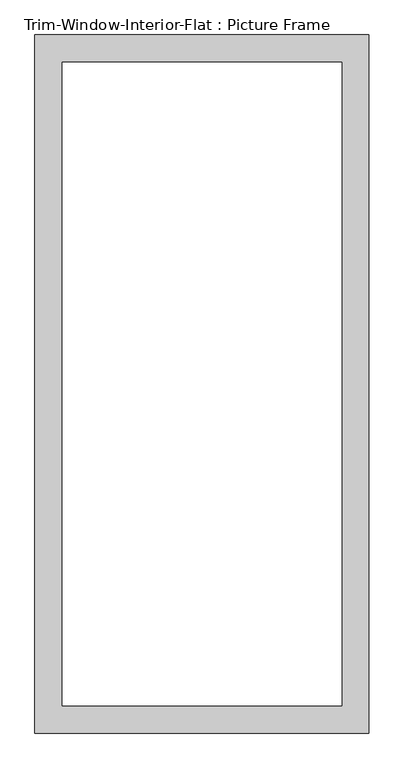
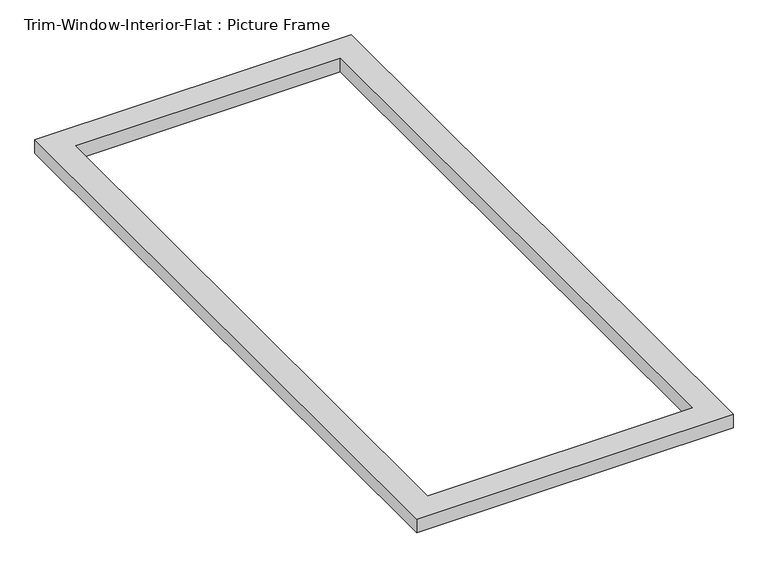
"""IFC4 building model written with IfcOpenShell, lengths in millimetres: proxy geometry, Trim-Window-Interior-Flat : Picture Frame."""

import ifcopenshell
import ifcopenshell.guid

model = None  # the IFC model being written
_history = None  # IfcOwnerHistory: only IFC2X3 demands one
_inside = {}  # id of a spatial element -> (the spatial element, [elements in it])
_under = {}  # id of a project, library or spatial element -> (it, [spatial elements below it])
_declared = {}  # id of a project -> (the project, [libraries it declares])
_typed = {}  # id of a type object -> (the type object, [elements of that type])
_made_of = {}  # id of a material, layer set ... -> (it, [elements and type objects made of it])


def new_model(schema):
    """Start an empty IFC model of exactly this schema.

    Asked for "IFC4X3", IfcOpenShell would pick the latest addendum, in which some entities
    have other attributes; the version numbers below select the first issue.
    IFC2X3 requires an IfcOwnerHistory on every rooted entity: one is made here for all.
    """
    global model, _history
    if schema == "IFC4X3":
        model = ifcopenshell.file(schema_version=(4, 3, 0, 0))
    else:
        model = ifcopenshell.file(schema=schema)
    _inside.clear()
    _under.clear()
    _declared.clear()
    _typed.clear()
    _made_of.clear()
    _history = None
    if model.schema == "IFC2X3":
        org = make("IfcOrganization", Name="unknown")
        user = make(
            "IfcPersonAndOrganization",
            ThePerson=make("IfcPerson", FamilyName="unknown"),
            TheOrganization=org,
        )
        app = make(
            "IfcApplication",
            ApplicationDeveloper=org,
            Version="unknown",
            ApplicationFullName="unknown",
            ApplicationIdentifier="unknown",
        )
        _history = make(
            "IfcOwnerHistory",
            OwningUser=user,
            OwningApplication=app,
            ChangeAction="ADDED",
            CreationDate=0,
        )
    return model


def make(cls, **values):
    """One entity of the class cls with the attributes given. An attribute that is None is left unset."""
    return model.create_entity(
        cls, **{name: value for name, value in values.items() if value is not None}
    )


def rooted(cls, **values):
    """An entity with a GlobalId (a new one), such as an element, a storey or a relation."""
    return make(cls, GlobalId=ifcopenshell.guid.new(), OwnerHistory=_history, **values)


def si_unit(unit_type, name, prefix=None):
    """IfcSIUnit, for example si_unit("LENGTHUNIT", "METRE", prefix="MILLI")."""
    return make("IfcSIUnit", UnitType=unit_type, Prefix=prefix, Name=name)


def assignment(units):
    """IfcUnitAssignment: the units of a project."""
    return None if units is None else make("IfcUnitAssignment", Units=units)


def point(xyz):
    """IfcCartesianPoint."""
    return None if xyz is None else make("IfcCartesianPoint", Coordinates=xyz)


def direction(xyz):
    """IfcDirection."""
    return None if xyz is None else make("IfcDirection", DirectionRatios=xyz)


def frame(location, z_axis=None, x_axis=None):
    """IfcAxis2Placement3D, a coordinate frame: its origin and axes. An axis left out is left unset."""
    return make(
        "IfcAxis2Placement3D",
        Location=point(location),
        Axis=direction(z_axis),
        RefDirection=direction(x_axis),
    )


def origin():
    """The frame at (0, 0, 0) with its axes left unset."""
    return frame((0.0, 0.0, 0.0))


def origin_with_axes():
    """The frame at (0, 0, 0) with the z axis (0, 0, 1) and the x axis (1, 0, 0) written out."""
    return frame((0.0, 0.0, 0.0), z_axis=(0.0, 0.0, 1.0), x_axis=(1.0, 0.0, 0.0))


def place(relative_to, where):
    """IfcLocalPlacement: puts the frame where relative to a parent placement (None: the world)."""
    return make(
        "IfcLocalPlacement", PlacementRelTo=relative_to, RelativePlacement=where
    )


def context(
    kind, dimensions, precision=None, world=None, true_north=None, identifier=None
):
    """IfcGeometricRepresentationContext, for example the 3D "Model" context."""
    return make(
        "IfcGeometricRepresentationContext",
        ContextIdentifier=identifier,
        ContextType=kind,
        CoordinateSpaceDimension=dimensions,
        Precision=precision,
        WorldCoordinateSystem=world,
        TrueNorth=true_north,
    )


def project(units=None, contexts=None):
    """IfcProject with its units and contexts."""
    return rooted(
        "IfcProject",
        Name="project",
        RepresentationContexts=contexts,
        UnitsInContext=assignment(units),
    )


def spatial(cls, under=None, at=None, **own):
    """A site, building, storey or space (cls), placed at a placement, below another one or the project."""
    s = rooted(cls, ObjectPlacement=at, **own)
    if under is not None:
        _under.setdefault(under.id(), (under, []))[1].append(s)
    return s


def polyline(points):
    """IfcPolyline through the points."""
    return make("IfcPolyline", Points=[point(p) for p in points])


def outline(outer, holes=None, kind="AREA"):
    """IfcArbitraryClosedProfileDef: a profile drawn as a closed curve; with holes, ...WithVoids."""
    if holes is None:
        return make("IfcArbitraryClosedProfileDef", ProfileType=kind, OuterCurve=outer)
    return make(
        "IfcArbitraryProfileDefWithVoids",
        ProfileType=kind,
        OuterCurve=outer,
        InnerCurves=holes,
    )


def extrude(swept, where, along, depth):
    """IfcExtrudedAreaSolid: the profile swept, set in the frame where, extruded along a direction by depth."""
    return make(
        "IfcExtrudedAreaSolid",
        SweptArea=swept,
        Position=where,
        ExtrudedDirection=direction(along),
        Depth=depth,
    )


def shape(context_of_items, identifier, shape_type, items):
    """IfcShapeRepresentation: the items that make up one representation, for example the "Body"."""
    return make(
        "IfcShapeRepresentation",
        ContextOfItems=context_of_items,
        RepresentationIdentifier=identifier,
        RepresentationType=shape_type,
        Items=items,
    )


def source(mapping_origin, context_of_items, identifier, shape_type, items):
    """IfcRepresentationMap: a shape defined once, which mapped items show again and again."""
    return make(
        "IfcRepresentationMap",
        MappingOrigin=mapping_origin,
        MappedRepresentation=shape(context_of_items, identifier, shape_type, items),
    )


def transform(
    local_origin,
    x_axis=None,
    y_axis=None,
    z_axis=None,
    scale=None,
    scale2=None,
    scale3=None,
    uniform=True,
):
    """IfcCartesianTransformationOperator3D, or its non-uniform kind. x_axis, y_axis, z_axis: its Axis1, 2, 3."""
    if uniform:
        return make(
            "IfcCartesianTransformationOperator3D",
            Axis1=direction(x_axis),
            Axis2=direction(y_axis),
            LocalOrigin=point(local_origin),
            Scale=scale,
            Axis3=direction(z_axis),
        )
    return make(
        "IfcCartesianTransformationOperator3DnonUniform",
        Axis1=direction(x_axis),
        Axis2=direction(y_axis),
        LocalOrigin=point(local_origin),
        Scale=scale,
        Axis3=direction(z_axis),
        Scale2=scale2,
        Scale3=scale3,
    )


def mapped(mapping_source, mapping_target):
    """IfcMappedItem: shows the shape of a source again, moved by a transform."""
    return make(
        "IfcMappedItem", MappingSource=mapping_source, MappingTarget=mapping_target
    )


def made_of(thing, what):
    """Note that an element or type object is made of a material, layer set ...; save() writes the relation."""
    if what is not None:
        _made_of.setdefault(what.id(), (what, []))[1].append(thing)
    return thing


def element(
    cls,
    number,
    at=None,
    inside=None,
    cuts=None,
    type_object=None,
    material=None,
    context=None,
    identifier="Body",
    shape_type=None,
    held_by="IfcProductDefinitionShape",
    body=None,
    shapes=None,
    **own,
):
    """One element of the class cls, such as IfcWall. Its Tag is "e" and its number.

    at: its placement. inside: the storey or other place that contains it. cuts: it is an
    opening in that element (IfcRelVoidsElement). A single representation is given by context,
    identifier, shape_type and body (its items); several are given by shapes. held_by: the class
    of the entity that holds the representations. save() writes the other relations.
    """
    e = rooted(cls, Tag="e%d" % number, ObjectPlacement=at, **own)
    if body is not None:
        shapes = [shape(context, identifier, shape_type, body)]
    if shapes is not None:
        e.Representation = make(held_by, Representations=shapes)
    if inside is not None:
        _inside.setdefault(inside.id(), (inside, []))[1].append(e)
    if cuts is not None:
        rooted(
            "IfcRelVoidsElement", RelatingBuildingElement=cuts, RelatedOpeningElement=e
        )
    if type_object is not None:
        _typed.setdefault(type_object.id(), (type_object, []))[1].append(e)
    return made_of(e, material)


def aggregate(whole, parts):
    """IfcRelAggregates: a whole, such as a stair, and the parts it consists of."""
    return rooted("IfcRelAggregates", RelatingObject=whole, RelatedObjects=parts)


def save(model, path):
    """Write the relations noted so far, then the file.

    IfcRelAggregates (storeys below a building ...), IfcRelContainedInSpatialStructure (elements
    in a storey), IfcRelDefinesByType, IfcRelAssociatesMaterial and IfcRelDeclares: one each for
    every whole, place, type object, material and project.
    """
    for whole, parts in _under.values():
        aggregate(whole, parts)
    for where, things in _inside.values():
        rooted(
            "IfcRelContainedInSpatialStructure",
            RelatedElements=things,
            RelatingStructure=where,
        )
    for kind, things in _typed.values():
        rooted("IfcRelDefinesByType", RelatedObjects=things, RelatingType=kind)
    for what, things in _made_of.values():
        rooted("IfcRelAssociatesMaterial", RelatedObjects=things, RelatingMaterial=what)
    for by, libraries in _declared.values():
        rooted("IfcRelDeclares", RelatingContext=by, RelatedDefinitions=libraries)
    model.write(path)


def trim_window_interior_flat_picture_frame_46832e30(model_context):
    return source(origin(), model_context, "Body", "SweptSolid", [
        extrude(outline(polyline([(349.25, 44.45), (349.25, -1416.05), (-349.25, -1416.05), (-349.25, 44.45), (349.25, 44.45)]), holes=[polyline([(292.1, -12.7), (-292.1, -12.7), (-292.1, -1358.9), (292.1, -1358.9), (292.1, -12.7)])]), origin_with_axes(), (0.0, 0.0, 1.0), 31.75),
    ])


if __name__ == "__main__":
    model = new_model("IFC4")
    model_context = context("Model", 3, world=origin())
    ifc_project = project(units=[si_unit("LENGTHUNIT", "METRE", prefix="MILLI")], contexts=[model_context])
    site = spatial("IfcSite", under=ifc_project)
    building = spatial("IfcBuilding", under=site)
    placement = place(None, origin())
    trim_window_interior_flat_picture_frame_shape = trim_window_interior_flat_picture_frame_46832e30(model_context)
    element("IfcBuildingElementProxy", 1, Name="Trim-Window-Interior-Flat : Picture Frame", ObjectType="Trim-Window-Interior-Flat : Picture Frame", at=placement, inside=building, context=model_context, shape_type="MappedRepresentation", body=[
        mapped(trim_window_interior_flat_picture_frame_shape, transform((0.0, 0.0, 0.0), x_axis=(1.0, 0.0, 0.0), y_axis=(0.0, 1.0, 0.0), z_axis=(0.0, 0.0, 1.0))),
    ])
    save(model, "model.ifc")
